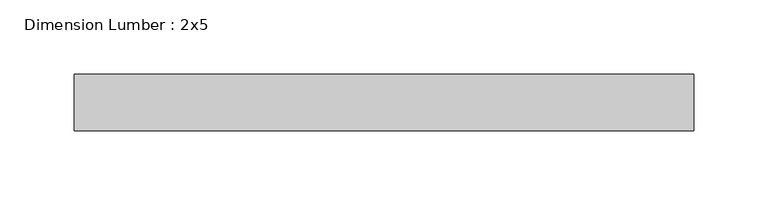
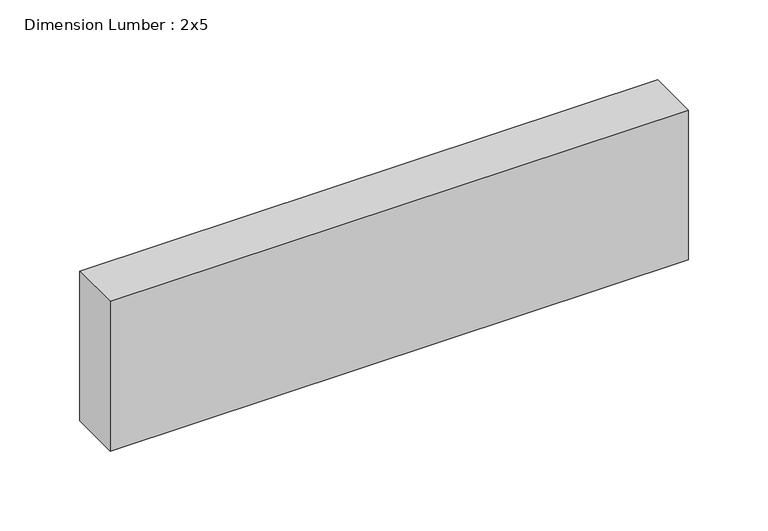
"""IFC4 building model written with IfcOpenShell, lengths in millimetres: beam geometry, Dimension Lumber : 2x5."""

from ifc_helpers import new_model, si_unit, frame, origin, place, context, project, spatial, polyline, outline, extrude, source, transform, mapped, element, save


def dimension_lumber_2x5_a4bd1662(model_context):
    return source(origin(), model_context, "Body", "SweptSolid", [
        extrude(outline(polyline([(208.7961528, 19.05), (208.7961528, -19.05), (-208.7961528, -19.05), (-208.7961528, 19.05), (208.7961528, 19.05)])), frame((0.0, 0.0, -57.15), z_axis=(0.0, 0.0, 1.0), x_axis=(1.0, 0.0, 0.0)), (0.0, 0.0, 1.0), 114.3),
    ])


if __name__ == "__main__":
    model = new_model("IFC4")
    model_context = context("Model", 3, world=origin())
    ifc_project = project(units=[si_unit("LENGTHUNIT", "METRE", prefix="MILLI")], contexts=[model_context])
    site = spatial("IfcSite", under=ifc_project)
    building = spatial("IfcBuilding", under=site)
    placement = place(None, origin())
    dimension_lumber_2x5_shape = dimension_lumber_2x5_a4bd1662(model_context)
    element("IfcBeam", 1, ObjectType="Dimension Lumber : 2x5", at=placement, inside=building, context=model_context, shape_type="MappedRepresentation", body=[
        mapped(dimension_lumber_2x5_shape, transform((0.0, 0.0, 0.0), x_axis=(1.0, 0.0, 0.0), y_axis=(0.0, 1.0, 0.0), z_axis=(0.0, 0.0, 1.0))),
    ])
    save(model, "model.ifc")
